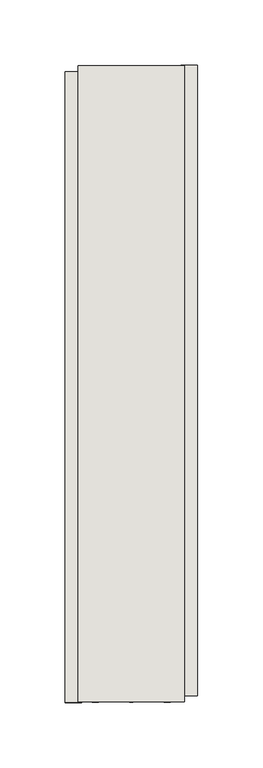
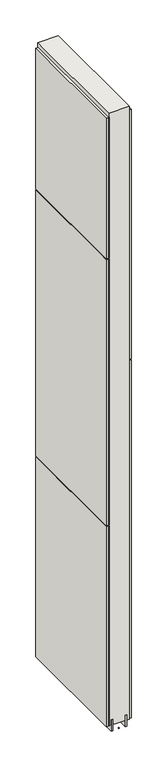
"""IFC4 building model written with IfcOpenShell, lengths in millimetres: wall geometry."""

from ifc_helpers import new_model, si_unit, frame, origin, place, context, project, spatial, polyline, outline, extrude, source, transform, mapped, element, save


def wall_6807df96(model_context):
    return source(origin(), model_context, "Body", "SweptSolid", [
        extrude(outline(polyline([(70461.542211, -56264.6946586), (70461.542211, -56262.1546586), (70464.082211, -56262.1546586), (70464.082211, -56264.6946586), (70461.542211, -56264.6946586)])), frame((0.0, 0.0, 4419.6), z_axis=(0.0, 0.0, 1.0), x_axis=(1.0, 0.0, 0.0)), (0.0, 0.0, 1.0), 2.54),
        extrude(outline(polyline([(70513.612211, -55777.0879122), (70513.612211, -56260.228475), (70500.912211, -56260.228475), (70500.912211, -55777.0879122), (70513.612211, -55777.0879122)])), frame((0.0, 0.0, 5945.6000722), z_axis=(0.0, 0.0, 1.0), x_axis=(1.0, 0.0, 0.0)), (0.0, 0.0, 1.0), 1044.449905),
        extrude(outline(polyline([(70513.612211, -55777.0879122), (70513.612211, -56260.228475), (70500.912211, -56260.228475), (70500.912211, -55777.0879122), (70513.612211, -55777.0879122)])), frame((0.0, 0.0, 4445.0), z_axis=(0.0, 0.0, 1.0), x_axis=(1.0, 0.0, 0.0)), (0.0, 0.0, 1.0), 1496.600004),
        extrude(outline(polyline([(70412.012211, -56265.1646094), (70412.012211, -55782.0240466), (70424.712211, -55782.0240466), (70424.712211, -56265.1646094), (70412.012211, -56265.1646094)])), frame((0.0, 0.0, 6402.8000722), z_axis=(0.0, 0.0, 1.0), x_axis=(1.0, 0.0, 0.0)), (0.0, 0.0, 1.0), 587.2498034),
        extrude(outline(polyline([(70412.012211, -56265.1646094), (70412.012211, -55782.0240466), (70424.712211, -55782.0240466), (70424.712211, -56265.1646094), (70412.012211, -56265.1646094)])), frame((0.0, 0.0, 5285.2000722), z_axis=(0.0, 0.0, 1.0), x_axis=(1.0, 0.0, 0.0)), (0.0, 0.0, 1.0), 1113.5999572),
        extrude(outline(polyline([(70412.012211, -56265.1646094), (70412.012211, -55782.0240466), (70424.712211, -55782.0240466), (70424.712211, -56265.1646094), (70412.012211, -56265.1646094)])), frame((0.0, 0.0, 4445.0), z_axis=(0.0, 0.0, 1.0), x_axis=(1.0, 0.0, 0.0)), (0.0, 0.0, 1.0), 836.200004),
        extrude(outline(polyline([(70487.8959556, -56264.7082984), (70487.8959556, -55777.5628414), (70492.974711, -55777.5628414), (70492.974711, -56264.7082984), (70487.8959556, -56264.7082984)])), frame((0.0, 0.0, 4418.6602), z_axis=(0.0, 0.0, 1.0), x_axis=(1.0, 0.0, 0.0)), (0.0, 0.0, 1.0), 47.625),
        extrude(outline(polyline([(70487.8959556, -56264.7082984), (70487.8959556, -55777.5628414), (70492.974711, -55777.5628414), (70492.974711, -56264.7082984), (70487.8959556, -56264.7082984)])), frame((0.0, 0.0, 4418.6602), z_axis=(0.0, 0.0, 1.0), x_axis=(1.0, 0.0, 0.0)), (0.0, 0.0, 1.0), 47.625),
        extrude(outline(polyline([(70437.7284664, -55777.5628414), (70437.7284664, -56264.7082984), (70432.649711, -56264.7082984), (70432.649711, -55777.5628414), (70437.7284664, -55777.5628414)])), frame((0.0, 0.0, 4418.6602), z_axis=(0.0, 0.0, 1.0), x_axis=(1.0, 0.0, 0.0)), (0.0, 0.0, 1.0), 47.625),
        extrude(outline(polyline([(70437.7284664, -55777.5628414), (70437.7284664, -56264.7082984), (70432.649711, -56264.7082984), (70432.649711, -55777.5628414), (70437.7284664, -55777.5628414)])), frame((0.0, 0.0, 4418.6602), z_axis=(0.0, 0.0, 1.0), x_axis=(1.0, 0.0, 0.0)), (0.0, 0.0, 1.0), 47.625),
        extrude(outline(polyline([(70503.4670954, -56264.7082984), (70422.1573266, -56264.7082984), (70422.1573266, -55777.5628414), (70503.4670954, -55777.5628414), (70503.4670954, -56264.7082984)])), frame((0.0, 0.0, 4445.0), z_axis=(0.0, 0.0, 1.0), x_axis=(1.0, 0.0, 0.0)), (0.0, 0.0, 1.0), 2562.4536762),
    ])


if __name__ == "__main__":
    model = new_model("IFC4")
    model_context = context("Model", 3, world=origin())
    ifc_project = project(units=[si_unit("LENGTHUNIT", "METRE", prefix="MILLI")], contexts=[model_context])
    site = spatial("IfcSite", under=ifc_project)
    building = spatial("IfcBuilding", under=site)
    placement = place(None, origin())
    wall_shape = wall_6807df96(model_context)
    element("IfcWall", 1, at=placement, inside=building, context=model_context, shape_type="MappedRepresentation", body=[
        mapped(wall_shape, transform((0.0, 0.0, 0.0), x_axis=(1.0, 0.0, 0.0), y_axis=(0.0, 1.0, 0.0), z_axis=(0.0, 0.0, 1.0))),
    ])
    save(model, "model.ifc")
